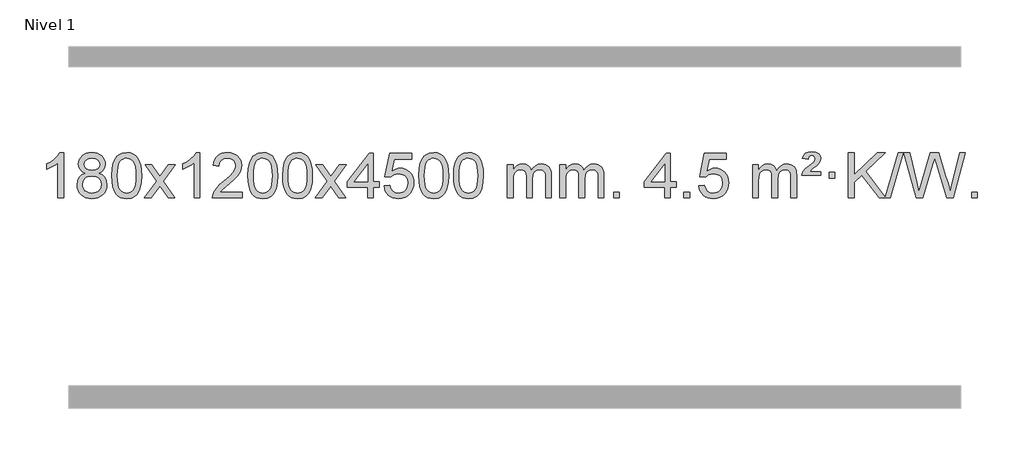
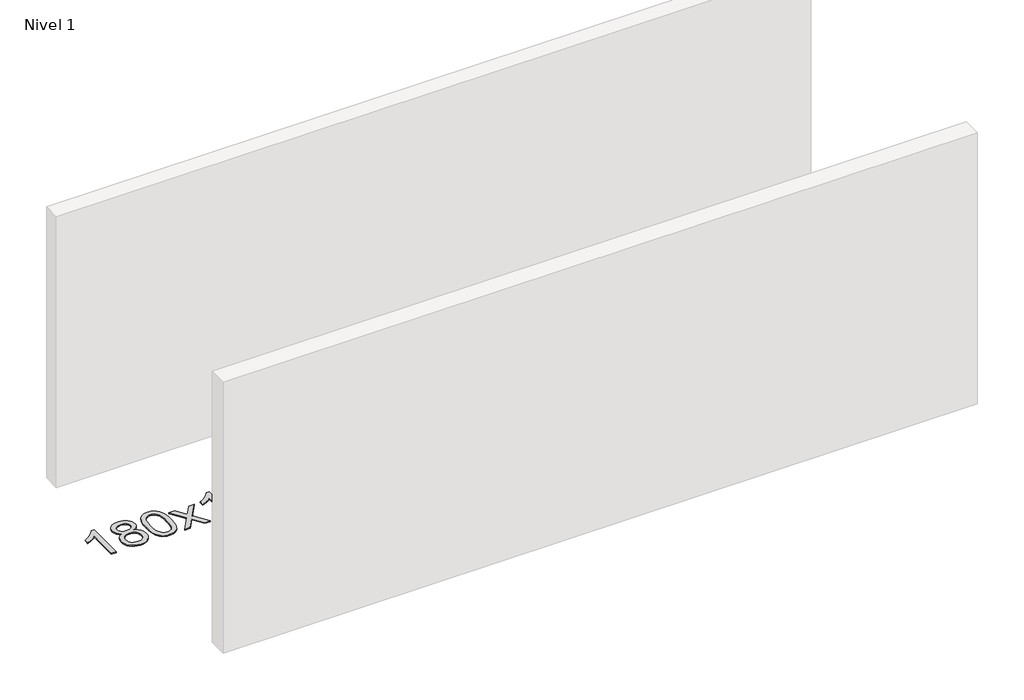
# One storey, part 8 of 14: 1 proxy.
"""IFC4 building model written with IfcOpenShell, lengths in millimetres."""

from ifc_helpers import new_model, si_unit, origin, origin_with_axes, place, context, project, spatial, polyline, outline, extrude, element, save

model = new_model("IFC4")

# Units and contexts
model_context = context("Model", 3, world=origin())
ifc_project = project(units=[si_unit("LENGTHUNIT", "METRE", prefix="MILLI")], contexts=[model_context])

# Site, building, storey
site = spatial("IfcSite", under=ifc_project)
building = spatial("IfcBuilding", under=site)
storey = spatial("IfcBuildingStorey", under=building, Name="Nivel 1", Elevation=0.0)

# Proxy
placement = place(None, origin())
element("IfcBuildingElementProxy", 1, Name="Texto de modelo 1", ObjectType="Texto de modelo 1", at=placement, inside=storey, context=model_context, shape_type="SweptSolid", body=[
    extrude(outline(polyline([(-275.4615788, -15465.579453), (-325.6897338, -15465.579453), (-325.6897338, -15152.4382987), (-346.6590076, -15169.3976587), (-373.2691385, -15186.3324932), (-426.146044, -15211.6918254), (-426.146044, -15164.2105225), (-386.6968314, -15142.7507395), (-352.520594, -15117.219729), (-325.5793692, -15090.0700378), (-307.8351943, -15063.7542124), (-275.4615788, -15063.7542124), (-275.4615788, -15465.579453)])), origin_with_axes(), (0.0, 0.0, 1.0), 10.0),
    extrude(outline(polyline([(-82.9857189, -15244.2616447), (-109.8778927, -15231.0178929), (-128.7502391, -15213.0652515), (-139.8970635, -15190.7716026), (-143.6126717, -15164.5048281), (-141.5893207, -15144.0199324), (-135.5192678, -15125.2395565), (-125.4025129, -15108.1637006), (-111.2390561, -15092.7923645), (-93.709479, -15080.088173), (-73.4943634, -15071.0137504), (-50.5937092, -15065.5690969), (-25.0075164, -15063.7542124), (0.7013036, -15065.6120165), (23.7736361, -15071.1854287), (44.2094809, -15080.4744491), (62.0088381, -15093.4790776), (76.4298124, -15109.1508506), (86.7305082, -15126.4413044), (92.9109257, -15145.3504389), (94.9710649, -15165.8782543), (91.3045077, -15191.2989001), (80.304836, -15213.2124043), (61.8494226, -15231.0546811), (35.8156401, -15244.2616447), (66.7299904, -15260.1909351), (89.2321058, -15283.6495436), (102.9541042, -15313.5092989), (107.5281037, -15348.6420295), (105.259498, -15373.6947933), (98.4536811, -15396.6628926), (87.1106529, -15417.5463272), (71.2304135, -15436.3450971), (51.6468286, -15451.88198), (29.1937642, -15462.9797536), (3.8712202, -15469.6384177), (-24.3208034, -15471.8579724), (-52.512827, -15469.6292206), (-77.835371, -15462.9429654), (-100.2884354, -15451.7992066), (-119.8720203, -15436.1979443), (-135.7522597, -15417.26735), (-147.0952879, -15396.135595), (-153.9011048, -15372.8026795), (-156.1697105, -15347.2686033), (-151.41177, -15310.7747094), (-137.1379486, -15280.7555386), (-114.0840102, -15258.2411605), (-82.9857189, -15244.2616447)]), holes=[polyline([(-93.3845166, -15165.9763561), (-88.9331445, -15187.902123), (-75.5790281, -15205.413306), (-53.7145748, -15216.8912243), (-23.7321922, -15220.717197), (5.5512146, -15216.9157497), (27.0845741, -15205.5114079), (40.3283259, -15188.5888361), (44.7429098, -15168.232699), (40.1811731, -15147.1040098), (26.4959629, -15129.629615), (4.6682978, -15117.8941794), (-24.3208034, -15113.9823675), (-53.4938456, -15117.8083402), (-75.2847225, -15129.2862585), (-88.8595681, -15146.1107284), (-93.3845166, -15165.9763561)]), polyline([(-105.9415554, -15345.5027698), (-103.844628, -15364.7184726), (-97.5538459, -15383.3210389), (-85.9410376, -15399.5446349), (-67.8780316, -15411.623427), (-46.2465703, -15419.1282197), (-23.9283959, -15421.6298173), (10.2601042, -15416.3691048), (24.1537808, -15409.7932141), (35.913742, -15400.5869672), (51.9533969, -15376.6869002), (57.2999486, -15347.0723996), (51.7817187, -15316.9551269), (35.2270289, -15292.5277625), (23.1482367, -15283.0854579), (8.9847799, -15276.3409547), (-25.5961276, -15270.9453521), (-59.3063811, -15276.2673783), (-73.043708, -15282.919911), (-84.7025015, -15292.2334569), (-100.6317919, -15316.1948375), (-105.9415554, -15345.5027698)])]), origin_with_axes(), (0.0, 0.0, 1.0), 10.0),
    extrude(outline(polyline([(151.4777394, -15267.9041943), (155.1688221, -15203.5861588), (166.2420701, -15152.2911459), (184.5871189, -15113.2343407), (196.4451819, -15098.0009605), (210.0936039, -15085.6309284), (225.5783702, -15076.0598651), (242.9454661, -15069.2233914), (283.3266464, -15063.7542124), (314.277785, -15066.991574), (341.9915619, -15076.7036586), (365.1681276, -15092.5103217), (382.5076323, -15114.0314184), (395.6042314, -15141.0830078), (406.05208, -15173.4811488), (412.8946851, -15214.6226186), (415.1755535, -15267.9041943), (411.521259, -15331.8543477), (400.5583756, -15383.0267333), (382.3236913, -15422.1203266), (370.4932195, -15437.3996922), (356.8539945, -15449.8341036), (341.3508341, -15459.4695462), (323.928556, -15466.3520052), (283.3266464, -15471.8579724), (255.6619204, -15469.4667394), (231.1364541, -15462.2930405), (209.7502474, -15450.3368757), (191.5033004, -15433.5982449), (173.9921175, -15403.3399508), (161.4841296, -15365.6381776), (153.9793369, -15320.4929255), (151.4777394, -15267.9041943)]), holes=[polyline([(201.7058944, -15267.8060924), (203.1774224, -15311.4706195), (207.5920064, -15346.8148822), (214.9496463, -15373.8388804), (225.2503421, -15392.5426142), (237.709279, -15405.2682656), (251.5416421, -15414.3580165), (266.7474312, -15419.8118671), (283.3266464, -15421.6298173), (299.9058617, -15419.8057357), (315.1116508, -15414.3334911), (328.9440138, -15405.2130833), (341.4029507, -15392.4445124), (351.7036466, -15373.7101217), (359.0612865, -15346.6922549), (363.4758705, -15311.3909118), (364.9473984, -15267.8060924), (363.5249214, -15225.2973278), (359.2574902, -15190.5753989), (352.145105, -15163.6403055), (342.1877657, -15144.4920476), (329.9372952, -15131.1440625), (315.9455167, -15121.6097875), (300.21243, -15115.8892225), (282.7380352, -15113.9823675), (266.2446591, -15115.6623619), (251.2963874, -15120.7023452), (237.89322, -15129.1023175), (226.0351571, -15140.8622786), (215.3911047, -15161.708925), (207.7882101, -15189.8151094), (203.2264734, -15225.1808319), (201.7058944, -15267.8060924)])]), origin_with_axes(), (0.0, 0.0, 1.0), 10.0),
    extrude(outline(polyline([(440.2896311, -15465.579453), (547.6130718, -15317.2494325), (446.5681504, -15170.4890419), (506.9988995, -15170.4890419), (555.7555266, -15241.122385), (578.5151594, -15274.4770192), (598.2336343, -15247.2047007), (653.7592901, -15170.4890419), (714.1900392, -15170.4890419), (608.0438209, -15317.2494325), (710.2659646, -15465.579453), (649.8352155, -15465.579453), (588.3253459, -15376.4048574), (577.0436314, -15360.1199477), (500.7203801, -15465.579453), (440.2896311, -15465.579453)])), origin_with_axes(), (0.0, 0.0, 1.0), 10.0),
    extrude(outline(polyline([(930.014143, -15465.579453), (879.785988, -15465.579453), (879.785988, -15152.4382987), (858.8167142, -15169.3976587), (832.2065832, -15186.3324932), (779.3296778, -15211.6918254), (779.3296778, -15164.2105225), (818.7788904, -15142.7507395), (852.9551278, -15117.219729), (879.8963526, -15090.0700378), (897.6405275, -15063.7542124), (930.014143, -15063.7542124), (930.014143, -15465.579453)])), origin_with_axes(), (0.0, 0.0, 1.0), 10.0),
    extrude(outline(polyline([(1306.7253061, -15415.3512979), (1306.7253061, -15465.579453), (1043.0274919, -15465.579453), (1044.1311379, -15447.8965918), (1048.4230945, -15430.9494945), (1060.808455, -15403.8856424), (1078.9327747, -15377.6311307), (1105.1504982, -15350.1503456), (1141.8160704, -15319.4076736), (1196.017351, -15271.2641831), (1228.5381194, -15235.7267824), (1244.7985036, -15206.884834), (1250.2186316, -15178.8277005), (1245.1050719, -15153.6768347), (1229.7643927, -15132.7688747), (1206.1831568, -15118.6789943), (1176.347927, -15113.9823675), (1145.0166437, -15118.5686297), (1120.6751184, -15132.3274163), (1104.9665572, -15154.1796068), (1099.5341664, -15183.0460807), (1049.3060113, -15176.7675613), (1053.6255591, -15150.838012), (1061.4829054, -15128.1826125), (1072.8780502, -15108.8013627), (1087.8109935, -15092.6942627), (1105.9383788, -15080.0329907), (1126.9168496, -15070.989225), (1150.7464058, -15065.5629655), (1177.4270475, -15063.7542124), (1204.3468125, -15065.7653006), (1228.3051275, -15071.7985654), (1249.3019923, -15081.8540066), (1267.3374071, -15095.9316242), (1281.8227607, -15112.9890861), (1292.1694418, -15131.9840598), (1298.3774505, -15152.9165453), (1300.4467867, -15175.7865427), (1298.2149693, -15199.8092369), (1291.519517, -15223.4149983), (1279.6369285, -15247.4254299), (1261.8437027, -15272.6621347), (1233.4800009, -15302.7916701), (1189.8859844, -15341.4805933), (1132.1039857, -15389.795762), (1109.4424548, -15415.3512979), (1306.7253061, -15415.3512979)])), origin_with_axes(), (0.0, 0.0, 1.0), 10.0),
    extrude(outline(polyline([(1356.9534612, -15267.9041943), (1360.6445439, -15203.5861588), (1371.7177919, -15152.2911459), (1390.0628407, -15113.2343407), (1401.9209037, -15098.0009605), (1415.5693257, -15085.6309284), (1431.054092, -15076.0598651), (1448.4211879, -15069.2233914), (1488.8023682, -15063.7542124), (1519.7535068, -15066.991574), (1547.4672837, -15076.7036586), (1570.6438494, -15092.5103217), (1587.9833541, -15114.0314184), (1601.0799532, -15141.0830078), (1611.5278018, -15173.4811488), (1618.3704069, -15214.6226186), (1620.6512753, -15267.9041943), (1616.9969808, -15331.8543477), (1606.0340974, -15383.0267333), (1587.7994131, -15422.1203266), (1575.9689413, -15437.3996922), (1562.3297163, -15449.8341036), (1546.8265559, -15459.4695462), (1529.4042778, -15466.3520052), (1488.8023682, -15471.8579724), (1461.1376422, -15469.4667394), (1436.6121759, -15462.2930405), (1415.2259692, -15450.3368757), (1396.9790222, -15433.5982449), (1379.4678393, -15403.3399508), (1366.9598514, -15365.6381776), (1359.4550587, -15320.4929255), (1356.9534612, -15267.9041943)]), holes=[polyline([(1407.1816162, -15267.8060924), (1408.6531442, -15311.4706195), (1413.0677282, -15346.8148822), (1420.4253681, -15373.8388804), (1430.7260639, -15392.5426142), (1443.1850008, -15405.2682656), (1457.0173639, -15414.3580165), (1472.223153, -15419.8118671), (1488.8023682, -15421.6298173), (1505.3815835, -15419.8057357), (1520.5873726, -15414.3334911), (1534.4197356, -15405.2130833), (1546.8786725, -15392.4445124), (1557.1793684, -15373.7101217), (1564.5370083, -15346.6922549), (1568.9515923, -15311.3909118), (1570.4231202, -15267.8060924), (1569.0006432, -15225.2973278), (1564.733212, -15190.5753989), (1557.6208268, -15163.6403055), (1547.6634875, -15144.4920476), (1535.413017, -15131.1440625), (1521.4212385, -15121.6097875), (1505.6881518, -15115.8892225), (1488.213757, -15113.9823675), (1471.7203809, -15115.6623619), (1456.7721092, -15120.7023452), (1443.3689418, -15129.1023175), (1431.5108789, -15140.8622786), (1420.8668265, -15161.708925), (1413.2639319, -15189.8151094), (1408.7021952, -15225.1808319), (1407.1816162, -15267.8060924)])]), origin_with_axes(), (0.0, 0.0, 1.0), 10.0),
    extrude(outline(polyline([(1664.600911, -15267.9041943), (1668.2919937, -15203.5861588), (1679.3652417, -15152.2911459), (1697.7102906, -15113.2343407), (1709.5683535, -15098.0009605), (1723.2167756, -15085.6309284), (1738.7015419, -15076.0598651), (1756.0686377, -15069.2233914), (1796.4498181, -15063.7542124), (1827.4009566, -15066.991574), (1855.1147336, -15076.7036586), (1878.2912993, -15092.5103217), (1895.630804, -15114.0314184), (1908.727403, -15141.0830078), (1919.1752517, -15173.4811488), (1926.0178568, -15214.6226186), (1928.2987251, -15267.9041943), (1924.6444307, -15331.8543477), (1913.6815472, -15383.0267333), (1895.446863, -15422.1203266), (1883.6163911, -15437.3996922), (1869.9771662, -15449.8341036), (1854.4740058, -15459.4695462), (1837.0517276, -15466.3520052), (1796.4498181, -15471.8579724), (1768.785092, -15469.4667394), (1744.2596257, -15462.2930405), (1722.873419, -15450.3368757), (1704.6264721, -15433.5982449), (1687.1152891, -15403.3399508), (1674.6073013, -15365.6381776), (1667.1025086, -15320.4929255), (1664.600911, -15267.9041943)]), holes=[polyline([(1714.8290661, -15267.8060924), (1716.3005941, -15311.4706195), (1720.715178, -15346.8148822), (1728.0728179, -15373.8388804), (1738.3735138, -15392.5426142), (1750.8324507, -15405.2682656), (1764.6648137, -15414.3580165), (1779.8706028, -15419.8118671), (1796.4498181, -15421.6298173), (1813.0290333, -15419.8057357), (1828.2348225, -15414.3334911), (1842.0671855, -15405.2130833), (1854.5261224, -15392.4445124), (1864.8268182, -15373.7101217), (1872.1844581, -15346.6922549), (1876.5990421, -15311.3909118), (1878.0705701, -15267.8060924), (1876.648093, -15225.2973278), (1872.3806619, -15190.5753989), (1865.2682766, -15163.6403055), (1855.3109373, -15144.4920476), (1843.0604669, -15131.1440625), (1829.0686883, -15121.6097875), (1813.3356016, -15115.8892225), (1795.8612069, -15113.9823675), (1779.3678308, -15115.6623619), (1764.419559, -15120.7023452), (1751.0163917, -15129.1023175), (1739.1583287, -15140.8622786), (1728.5142763, -15161.708925), (1720.9113817, -15189.8151094), (1716.349645, -15225.1808319), (1714.8290661, -15267.8060924)])]), origin_with_axes(), (0.0, 0.0, 1.0), 10.0),
    extrude(outline(polyline([(1953.4128027, -15465.579453), (2060.7362434, -15317.2494325), (1959.6913221, -15170.4890419), (2020.1220711, -15170.4890419), (2068.8786982, -15241.122385), (2091.638331, -15274.4770192), (2111.3568059, -15247.2047007), (2166.8824617, -15170.4890419), (2227.3132108, -15170.4890419), (2121.1669925, -15317.2494325), (2223.3891362, -15465.579453), (2162.9583871, -15465.579453), (2101.4485175, -15376.4048574), (2090.166803, -15360.1199477), (2013.8435518, -15465.579453), (1953.4128027, -15465.579453)])), origin_with_axes(), (0.0, 0.0, 1.0), 10.0),
    extrude(outline(polyline([(2418.0232371, -15465.579453), (2418.0232371, -15371.4016622), (2235.946175, -15371.4016622), (2235.946175, -15321.1735072), (2430.5802759, -15070.0327318), (2468.2513922, -15070.0327318), (2468.2513922, -15321.1735072), (2518.4795473, -15321.1735072), (2518.4795473, -15371.4016622), (2468.2513922, -15371.4016622), (2468.2513922, -15465.579453), (2418.0232371, -15465.579453)]), holes=[polyline([(2418.0232371, -15321.1735072), (2418.0232371, -15165.9763561), (2297.7503502, -15321.1735072), (2418.0232371, -15321.1735072)])]), origin_with_axes(), (0.0, 0.0, 1.0), 10.0),
    extrude(outline(polyline([(2562.429183, -15358.8446235), (2612.657338, -15352.5661041), (2621.8789134, -15382.7201649), (2637.9676193, -15404.3148381), (2660.8498794, -15417.3010725), (2690.4521173, -15421.6298173), (2709.581981, -15420.1245668), (2726.4555019, -15415.6088153), (2741.0726798, -15408.0825628), (2753.4335149, -15397.5458094), (2763.2620955, -15384.519721), (2770.2825102, -15369.5254641), (2775.898842, -15333.6324441), (2770.6381295, -15299.8363514), (2764.0622388, -15285.9181493), (2754.8559919, -15273.9865099), (2742.9887319, -15264.4154467), (2728.4298019, -15257.5789729), (2691.2369322, -15252.1097939), (2666.8708814, -15254.2925604), (2647.1401437, -15260.8408599), (2631.3825316, -15270.8717757), (2618.9358574, -15283.5023908), (2568.7077023, -15277.2238715), (2612.657338, -15070.0327318), (2807.291439, -15070.0327318), (2807.291439, -15120.2608869), (2653.2715103, -15120.2608869), (2631.7872018, -15230.919791), (2649.5129826, -15218.2155994), (2667.667959, -15209.1411769), (2686.2521312, -15203.6965234), (2705.265499, -15201.8816388), (2729.726586, -15204.1318504), (2752.1949788, -15210.882485), (2772.6706775, -15222.1335427), (2791.1536821, -15237.8850234), (2806.4545074, -15257.1743027), (2817.3836684, -15279.038756), (2823.9411649, -15303.4783832), (2826.1269971, -15330.4931844), (2824.1588284, -15356.5147042), (2818.2543224, -15380.7213394), (2808.413479, -15403.1130902), (2794.6362983, -15423.6899565), (2773.7651265, -15444.7634634), (2749.4113384, -15459.8159684), (2721.5749341, -15468.8474714), (2690.2559136, -15471.8579724), (2664.3355613, -15469.9235262), (2640.922938, -15464.1201877), (2620.0180436, -15454.447957), (2601.6208782, -15440.9068338), (2586.3139215, -15424.1712688), (2574.6796534, -15404.915712), (2566.7180739, -15383.1401636), (2562.429183, -15358.8446235)])), origin_with_axes(), (0.0, 0.0, 1.0), 10.0),
    extrude(outline(polyline([(2870.0766328, -15267.9041943), (2873.7677155, -15203.5861588), (2884.8409635, -15152.2911459), (2903.1860124, -15113.2343407), (2915.0440753, -15098.0009605), (2928.6924974, -15085.6309284), (2944.1772637, -15076.0598651), (2961.5443595, -15069.2233914), (3001.9255399, -15063.7542124), (3032.8766784, -15066.991574), (3060.5904554, -15076.7036586), (3083.7670211, -15092.5103217), (3101.1065258, -15114.0314184), (3114.2031248, -15141.0830078), (3124.6509735, -15173.4811488), (3131.4935786, -15214.6226186), (3133.7744469, -15267.9041943), (3130.1201525, -15331.8543477), (3119.157269, -15383.0267333), (3100.9225848, -15422.1203266), (3089.0921129, -15437.3996922), (3075.452888, -15449.8341036), (3059.9497276, -15459.4695462), (3042.5274494, -15466.3520052), (3001.9255399, -15471.8579724), (2974.2608138, -15469.4667394), (2949.7353475, -15462.2930405), (2928.3491408, -15450.3368757), (2910.1021939, -15433.5982449), (2892.5910109, -15403.3399508), (2880.0830231, -15365.6381776), (2872.5782304, -15320.4929255), (2870.0766328, -15267.9041943)]), holes=[polyline([(2920.3047879, -15267.8060924), (2921.7763158, -15311.4706195), (2926.1908998, -15346.8148822), (2933.5485397, -15373.8388804), (2943.8492356, -15392.5426142), (2956.3081725, -15405.2682656), (2970.1405355, -15414.3580165), (2985.3463246, -15419.8118671), (3001.9255399, -15421.6298173), (3018.5047551, -15419.8057357), (3033.7105442, -15414.3334911), (3047.5429073, -15405.2130833), (3060.0018442, -15392.4445124), (3070.30254, -15373.7101217), (3077.6601799, -15346.6922549), (3082.0747639, -15311.3909118), (3083.5462919, -15267.8060924), (3082.1238148, -15225.2973278), (3077.8563837, -15190.5753989), (3070.7439984, -15163.6403055), (3060.7866591, -15144.4920476), (3048.5361887, -15131.1440625), (3034.5444101, -15121.6097875), (3018.8113234, -15115.8892225), (3001.3369287, -15113.9823675), (2984.8435526, -15115.6623619), (2969.8952808, -15120.7023452), (2956.4921135, -15129.1023175), (2944.6340505, -15140.8622786), (2933.9899981, -15161.708925), (2926.3871035, -15189.8151094), (2921.8253668, -15225.1808319), (2920.3047879, -15267.8060924)])]), origin_with_axes(), (0.0, 0.0, 1.0), 10.0),
    extrude(outline(polyline([(3177.7240826, -15267.9041943), (3181.4151653, -15203.5861588), (3192.4884134, -15152.2911459), (3210.8334622, -15113.2343407), (3222.6915252, -15098.0009605), (3236.3399472, -15085.6309284), (3251.8247135, -15076.0598651), (3269.1918094, -15069.2233914), (3309.5729897, -15063.7542124), (3340.5241282, -15066.991574), (3368.2379052, -15076.7036586), (3391.4144709, -15092.5103217), (3408.7539756, -15114.0314184), (3421.8505746, -15141.0830078), (3432.2984233, -15173.4811488), (3439.1410284, -15214.6226186), (3441.4218968, -15267.9041943), (3437.7676023, -15331.8543477), (3426.8047188, -15383.0267333), (3408.5700346, -15422.1203266), (3396.7395628, -15437.3996922), (3383.1003378, -15449.8341036), (3367.5971774, -15459.4695462), (3350.1748992, -15466.3520052), (3309.5729897, -15471.8579724), (3281.9082637, -15469.4667394), (3257.3827973, -15462.2930405), (3235.9965907, -15450.3368757), (3217.7496437, -15433.5982449), (3200.2384607, -15403.3399508), (3187.7304729, -15365.6381776), (3180.2256802, -15320.4929255), (3177.7240826, -15267.9041943)]), holes=[polyline([(3227.9522377, -15267.8060924), (3229.4237657, -15311.4706195), (3233.8383496, -15346.8148822), (3241.1959895, -15373.8388804), (3251.4966854, -15392.5426142), (3263.9556223, -15405.2682656), (3277.7879853, -15414.3580165), (3292.9937744, -15419.8118671), (3309.5729897, -15421.6298173), (3326.1522049, -15419.8057357), (3341.3579941, -15414.3334911), (3355.1903571, -15405.2130833), (3367.649294, -15392.4445124), (3377.9499899, -15373.7101217), (3385.3076298, -15346.6922549), (3389.7222137, -15311.3909118), (3391.1937417, -15267.8060924), (3389.7712646, -15225.2973278), (3385.5038335, -15190.5753989), (3378.3914483, -15163.6403055), (3368.4341089, -15144.4920476), (3356.1836385, -15131.1440625), (3342.1918599, -15121.6097875), (3326.4587733, -15115.8892225), (3308.9843785, -15113.9823675), (3292.4910024, -15115.6623619), (3277.5427307, -15120.7023452), (3264.1395633, -15129.1023175), (3252.2815003, -15140.8622786), (3241.6374479, -15161.708925), (3234.0345534, -15189.8151094), (3229.4728166, -15225.1808319), (3227.9522377, -15267.8060924)])]), origin_with_axes(), (0.0, 0.0, 1.0), 10.0),
    extrude(outline(polyline([(3654.8915558, -15465.579453), (3654.8915558, -15170.4890419), (3705.1197109, -15170.4890419), (3705.1197109, -15219.0494653), (3720.2273982, -15196.7435537), (3739.6515675, -15179.2691589), (3762.7300314, -15167.9751816), (3788.8006021, -15164.2105225), (3816.7351082, -15168.048758), (3839.126859, -15179.5634645), (3855.8532271, -15197.9943524), (3866.7915851, -15222.5811324), (3885.0998457, -15197.0439906), (3905.9832803, -15178.803175), (3929.4418888, -15167.8586857), (3955.4756714, -15164.2105225), (3975.5834881, -15165.7280358), (3993.2326268, -15170.2805755), (4008.4230875, -15177.8681416), (4021.1548702, -15188.4907342), (4031.2195085, -15202.2709806), (4038.4085358, -15219.3315082), (4042.7219522, -15239.6723168), (4044.1597577, -15263.2934066), (4044.1597577, -15465.579453), (3993.9316026, -15465.579453), (3993.9316026, -15284.875817), (3992.7666429, -15259.8230531), (3989.271764, -15242.9372695), (3982.7234645, -15231.3735121), (3972.3982431, -15222.2868268), (3959.1177031, -15216.4007149), (3943.7034475, -15214.4386776), (3916.4924426, -15219.4663982), (3894.3091583, -15234.54956), (3885.7037853, -15246.1194488), (3879.5570903, -15260.7182326), (3874.6397343, -15299.0024856), (3874.6397343, -15465.579453), (3824.4115792, -15465.579453), (3824.4115792, -15279.2840106), (3821.5053115, -15250.8835206), (3812.7865082, -15230.6254854), (3797.445829, -15218.4853796), (3774.6739335, -15214.4386776), (3755.3233405, -15217.1364789), (3737.4933265, -15225.2298828), (3722.7780467, -15238.5226856), (3712.7716564, -15256.8186835), (3707.0326973, -15282.2025411), (3705.1197109, -15316.7589232), (3705.1197109, -15465.579453), (3654.8915558, -15465.579453)])), origin_with_axes(), (0.0, 0.0, 1.0), 10.0),
    extrude(outline(polyline([(4119.5019903, -15465.579453), (4119.5019903, -15170.4890419), (4169.7301454, -15170.4890419), (4169.7301454, -15219.0494653), (4184.8378326, -15196.7435537), (4204.262002, -15179.2691589), (4227.3404658, -15167.9751816), (4253.4110365, -15164.2105225), (4281.3455427, -15168.048758), (4303.7372935, -15179.5634645), (4320.4636615, -15197.9943524), (4331.4020195, -15222.5811324), (4349.7102801, -15197.0439906), (4370.5937147, -15178.803175), (4394.0523233, -15167.8586857), (4420.0861058, -15164.2105225), (4440.1939225, -15165.7280358), (4457.8430612, -15170.2805755), (4473.033522, -15177.8681416), (4485.7653047, -15188.4907342), (4495.8299429, -15202.2709806), (4503.0189703, -15219.3315082), (4507.3323866, -15239.6723168), (4508.7701921, -15263.2934066), (4508.7701921, -15465.579453), (4458.542037, -15465.579453), (4458.542037, -15284.875817), (4457.3770774, -15259.8230531), (4453.8821984, -15242.9372695), (4447.3338989, -15231.3735121), (4437.0086776, -15222.2868268), (4423.7281376, -15216.4007149), (4408.313882, -15214.4386776), (4381.1028771, -15219.4663982), (4358.9195927, -15234.54956), (4350.3142197, -15246.1194488), (4344.1675247, -15260.7182326), (4339.2501687, -15299.0024856), (4339.2501687, -15465.579453), (4289.0220137, -15465.579453), (4289.0220137, -15279.2840106), (4286.1157459, -15250.8835206), (4277.3969426, -15230.6254854), (4262.0562634, -15218.4853796), (4239.2843679, -15214.4386776), (4219.933775, -15217.1364789), (4202.1037609, -15225.2298828), (4187.3884811, -15238.5226856), (4177.3820909, -15256.8186835), (4171.6431317, -15282.2025411), (4169.7301454, -15316.7589232), (4169.7301454, -15465.579453), (4119.5019903, -15465.579453)])), origin_with_axes(), (0.0, 0.0, 1.0), 10.0),
    extrude(outline(polyline([(4596.6694635, -15465.579453), (4596.6694635, -15415.3512979), (4646.8976186, -15415.3512979), (4646.8976186, -15465.579453), (4596.6694635, -15465.579453)])), origin_with_axes(), (0.0, 0.0, 1.0), 10.0),
    extrude(outline(polyline([(5048.7228592, -15465.579453), (5048.7228592, -15371.4016622), (4866.645797, -15371.4016622), (4866.645797, -15321.1735072), (5061.2798979, -15070.0327318), (5098.9510142, -15070.0327318), (5098.9510142, -15321.1735072), (5149.1791693, -15321.1735072), (5149.1791693, -15371.4016622), (5098.9510142, -15371.4016622), (5098.9510142, -15465.579453), (5048.7228592, -15465.579453)]), holes=[polyline([(5048.7228592, -15321.1735072), (5048.7228592, -15165.9763561), (4928.4499722, -15321.1735072), (5048.7228592, -15321.1735072)])]), origin_with_axes(), (0.0, 0.0, 1.0), 10.0),
    extrude(outline(polyline([(5218.2428825, -15465.579453), (5218.2428825, -15415.3512979), (5268.4710376, -15415.3512979), (5268.4710376, -15465.579453), (5218.2428825, -15465.579453)])), origin_with_axes(), (0.0, 0.0, 1.0), 10.0),
    extrude(outline(polyline([(5350.0917896, -15358.8446235), (5400.3199447, -15352.5661041), (5409.54152, -15382.7201649), (5425.630226, -15404.3148381), (5448.5124861, -15417.3010725), (5478.1147239, -15421.6298173), (5497.2445877, -15420.1245668), (5514.1181085, -15415.6088153), (5528.7352865, -15408.0825628), (5541.0961215, -15397.5458094), (5550.9247021, -15384.519721), (5557.9451169, -15369.5254641), (5563.5614487, -15333.6324441), (5558.3007361, -15299.8363514), (5551.7248455, -15285.9181493), (5542.5185986, -15273.9865099), (5530.6513385, -15264.4154467), (5516.0924086, -15257.5789729), (5478.8995389, -15252.1097939), (5454.533488, -15254.2925604), (5434.8027504, -15260.8408599), (5419.0451382, -15270.8717757), (5406.5984641, -15283.5023908), (5356.370309, -15277.2238715), (5400.3199447, -15070.0327318), (5594.9540456, -15070.0327318), (5594.9540456, -15120.2608869), (5440.934117, -15120.2608869), (5419.4498084, -15230.919791), (5437.1755892, -15218.2155994), (5455.3305657, -15209.1411769), (5473.9147378, -15203.6965234), (5492.9281056, -15201.8816388), (5517.3891926, -15204.1318504), (5539.8575855, -15210.882485), (5560.3332842, -15222.1335427), (5578.8162887, -15237.8850234), (5594.1171141, -15257.1743027), (5605.046275, -15279.038756), (5611.6037716, -15303.4783832), (5613.7896038, -15330.4931844), (5611.8214351, -15356.5147042), (5605.9169291, -15380.7213394), (5596.0760857, -15403.1130902), (5582.298905, -15423.6899565), (5561.4277331, -15444.7634634), (5537.073945, -15459.8159684), (5509.2375407, -15468.8474714), (5477.9185202, -15471.8579724), (5451.998168, -15469.9235262), (5428.5855447, -15464.1201877), (5407.6806503, -15454.447957), (5389.2834848, -15440.9068338), (5373.9765281, -15424.1712688), (5362.3422601, -15404.915712), (5354.3806805, -15383.1401636), (5350.0917896, -15358.8446235)])), origin_with_axes(), (0.0, 0.0, 1.0), 10.0),
    extrude(outline(polyline([(5827.2592628, -15465.579453), (5827.2592628, -15170.4890419), (5877.4874179, -15170.4890419), (5877.4874179, -15219.0494653), (5892.5951052, -15196.7435537), (5912.0192745, -15179.2691589), (5935.0977383, -15167.9751816), (5961.1683091, -15164.2105225), (5989.1028152, -15168.048758), (6011.494566, -15179.5634645), (6028.2209341, -15197.9943524), (6039.159292, -15222.5811324), (6057.4675527, -15197.0439906), (6078.3509873, -15178.803175), (6101.8095958, -15167.8586857), (6127.8433783, -15164.2105225), (6147.9511951, -15165.7280358), (6165.6003338, -15170.2805755), (6180.7907945, -15177.8681416), (6193.5225772, -15188.4907342), (6203.5872155, -15202.2709806), (6210.7762428, -15219.3315082), (6215.0896592, -15239.6723168), (6216.5274647, -15263.2934066), (6216.5274647, -15465.579453), (6166.2993096, -15465.579453), (6166.2993096, -15284.875817), (6165.1343499, -15259.8230531), (6161.639471, -15242.9372695), (6155.0911715, -15231.3735121), (6144.7659501, -15222.2868268), (6131.4854101, -15216.4007149), (6116.0711545, -15214.4386776), (6088.8601496, -15219.4663982), (6066.6768653, -15234.54956), (6058.0714923, -15246.1194488), (6051.9247973, -15260.7182326), (6047.0074413, -15299.0024856), (6047.0074413, -15465.579453), (5996.7792862, -15465.579453), (5996.7792862, -15279.2840106), (5993.8730184, -15250.8835206), (5985.1542152, -15230.6254854), (5969.813536, -15218.4853796), (5947.0416405, -15214.4386776), (5927.6910475, -15217.1364789), (5909.8610335, -15225.2298828), (5895.1457537, -15238.5226856), (5885.1393634, -15256.8186835), (5879.4004043, -15282.2025411), (5877.4874179, -15316.7589232), (5877.4874179, -15465.579453), (5827.2592628, -15465.579453)])), origin_with_axes(), (0.0, 0.0, 1.0), 10.0),
    extrude(outline(polyline([(6260.4771003, -15264.6668327), (6264.3030731, -15248.8479069), (6272.6417317, -15232.9799302), (6294.1505656, -15207.8413272), (6326.1072483, -15180.1030247), (6370.2530877, -15142.726214), (6377.3899984, -15131.1992448), (6379.7689686, -15119.3779701), (6377.8805077, -15107.2869152), (6372.215125, -15097.5012541), (6362.8463969, -15091.026531), (6349.8478997, -15088.8682899), (6337.4134883, -15090.4869707), (6328.5597949, -15095.343013), (6322.1341227, -15104.8098431), (6316.9837748, -15120.2608869), (6266.7556197, -15113.9823675), (6277.5958759, -15088.7701881), (6294.224142, -15071.2099542), (6317.9893189, -15060.9092583), (6350.2403072, -15057.475693), (6386.0229626, -15061.6082341), (6410.7691581, -15074.0058573), (6425.1901323, -15092.3386434), (6429.9971237, -15114.2766731), (6425.9013708, -15137.1834586), (6413.6141122, -15158.8149199), (6393.0862969, -15178.6314968), (6356.6169284, -15206.6886303), (6331.0123416, -15233.2742358), (6429.9971237, -15233.2742358), (6429.9971237, -15264.6668327), (6260.4771003, -15264.6668327)])), origin_with_axes(), (0.0, 0.0, 1.0), 10.0),
    extrude(outline(polyline([(6505.3393563, -15289.7809102), (6505.3393563, -15239.5527552), (6555.5675114, -15239.5527552), (6555.5675114, -15289.7809102), (6505.3393563, -15289.7809102)])), origin_with_axes(), (0.0, 0.0, 1.0), 10.0),
    extrude(outline(polyline([(6946.2091394, -15465.579453), (6792.7778219, -15262.9009991), (6725.0875348, -15327.4520265), (6725.0875348, -15465.579453), (6674.8593797, -15465.579453), (6674.8593797, -15063.7542124), (6725.0875348, -15063.7542124), (6725.0875348, -15260.4484525), (6931.1014521, -15063.7542124), (7001.3423877, -15063.7542124), (6828.388799, -15228.9577537), (7003.0424089, -15459.5349332), (7114.3557366, -15063.7542124), (7159.6787984, -15063.7542124), (7046.6654495, -15465.579453), (7007.6209071, -15465.579453), (7001.3423877, -15465.579453), (6946.2091394, -15465.579453)])), origin_with_axes(), (0.0, 0.0, 1.0), 10.0),
    extrude(outline(polyline([(7274.1636753, -15465.579453), (7164.5838917, -15063.7542124), (7216.3816766, -15063.7542124), (7279.9516854, -15327.844434), (7299.5720585, -15409.3670841), (7320.5658576, -15337.2622131), (7400.2245723, -15063.7542124), (7474.8800919, -15063.7542124), (7532.7601925, -15262.0180823), (7557.5554389, -15335.5944814), (7575.8269114, -15409.3670841), (7594.8586732, -15330.1988788), (7659.0172932, -15063.7542124), (7710.8150781, -15063.7542124), (7601.1371926, -15465.579453), (7547.4754723, -15465.579453), (7451.1394405, -15155.5775584), (7437.6994849, -15112.3146358), (7422.5917976, -15164.4067263), (7334.7906281, -15465.579453), (7274.1636753, -15465.579453)])), origin_with_axes(), (0.0, 0.0, 1.0), 10.0),
    extrude(outline(polyline([(7767.3217526, -15465.579453), (7767.3217526, -15415.3512979), (7817.5499077, -15415.3512979), (7817.5499077, -15465.579453), (7767.3217526, -15465.579453)])), origin_with_axes(), (0.0, 0.0, 1.0), 10.0),
])

save(model, "model.ifc")
